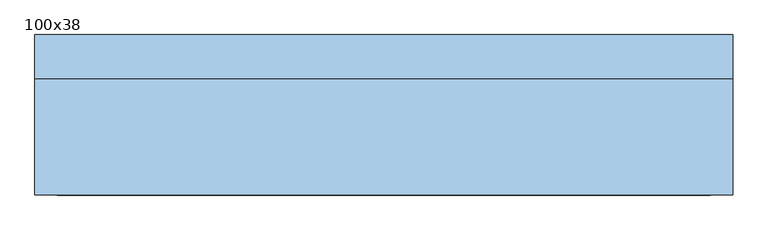
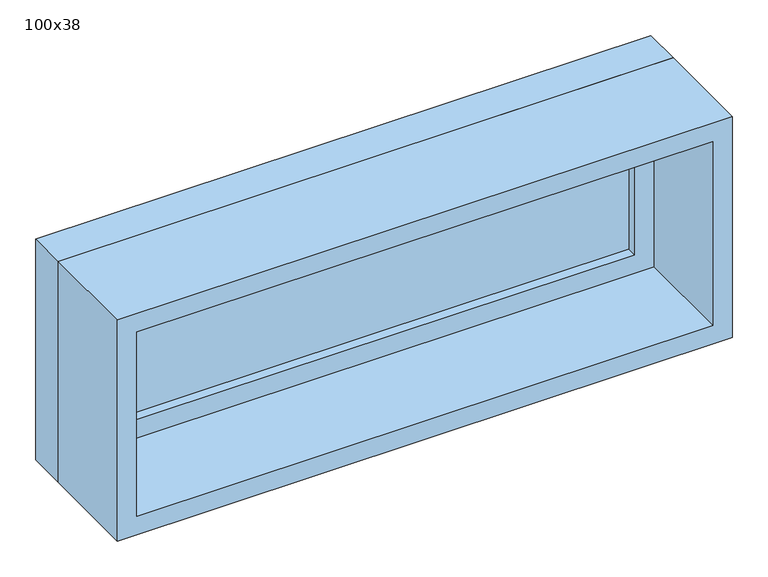
"""IFC4 building model written with IfcOpenShell, lengths in millimetres: window geometry, 100x38."""

from ifc_helpers import new_model, si_unit, frame, origin, place, context, project, spatial, polyline, outline, extrude, source, transform, mapped, element, save


def window_100x38_7d0cf1a3(model_context):
    return source(origin(), model_context, "Body", "SweptSolid", [
        extrude(outline(polyline([(398.4, 67.375), (-474.6, 67.375), (-474.6, 80.075), (398.4, 80.075), (398.4, 67.375)])), frame((0.0, 0.0, 977.9), z_axis=(0.0, 0.0, 1.0), x_axis=(1.0, 0.0, 0.0)), (0.0, 0.0, 1.0), 253.0),
        extrude(outline(polyline([(1275.35, -519.05), (933.45, -519.05), (933.45, 442.85), (1275.35, 442.85), (1275.35, -519.05)]), holes=[polyline([(1230.9, -474.6), (1230.9, 398.4), (977.9, 398.4), (977.9, -474.6), (1230.9, -474.6)])]), frame((0.0, 51.5, 0.0), z_axis=(0.0, 1.0, 0.0), x_axis=(0.0, 0.0, 1.0)), (0.0, 0.0, 1.0), 44.45),
        extrude(outline(polyline([(1294.4, -538.1), (914.4, -538.1), (914.4, 461.9), (1294.4, 461.9), (1294.4, -538.1)]), holes=[polyline([(1262.65, -506.35), (1262.65, 430.15), (946.15, 430.15), (946.15, -506.35), (1262.65, -506.35)])]), frame((0.0, -115.0, 0.0), z_axis=(0.0, 1.0, 0.0), x_axis=(0.0, 0.0, 1.0)), (0.0, 0.0, 1.0), 166.5),
        extrude(outline(polyline([(1294.4, 461.9), (1294.4, -538.1), (914.4, -538.1), (914.4, 461.9), (1294.4, 461.9)]), holes=[polyline([(1275.35, 442.85), (933.45, 442.85), (933.45, -519.05), (1275.35, -519.05), (1275.35, 442.85)])]), frame((0.0, 51.5, 0.0), z_axis=(0.0, 1.0, 0.0), x_axis=(0.0, 0.0, 1.0)), (0.0, 0.0, 1.0), 63.5),
    ])


if __name__ == "__main__":
    model = new_model("IFC4")
    model_context = context("Model", 3, world=origin())
    ifc_project = project(units=[si_unit("LENGTHUNIT", "METRE", prefix="MILLI")], contexts=[model_context])
    site = spatial("IfcSite", under=ifc_project)
    building = spatial("IfcBuilding", under=site)
    placement = place(None, origin())
    window_100x38_shape = window_100x38_7d0cf1a3(model_context)
    element("IfcWindow", 1, ObjectType="100x38", at=placement, inside=building, context=model_context, shape_type="MappedRepresentation", body=[
        mapped(window_100x38_shape, transform((0.0, 0.0, 0.0), x_axis=(1.0, 0.0, 0.0), y_axis=(0.0, 1.0, 0.0), z_axis=(0.0, 0.0, 1.0))),
    ])
    save(model, "model.ifc")
